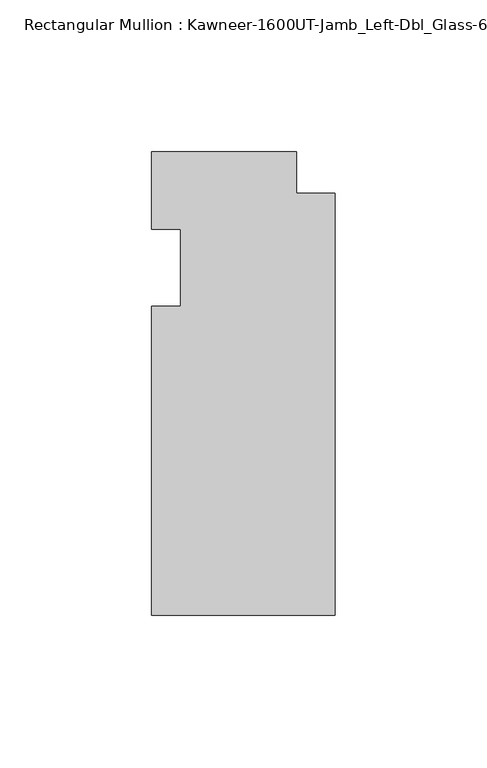
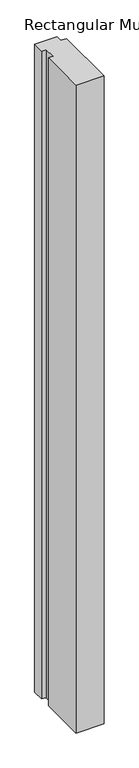
"""IFC4 building model written with IfcOpenShell, lengths in millimetres: member geometry."""

from ifc_helpers import new_model, si_unit, frame, origin, place, context, project, spatial, polyline, outline, extrude, source, transform, mapped, element, save


def member_b6ed2e3d(model_context):
    return source(origin(), model_context, "Body", "SweptSolid", [
        extrude(outline(polyline([(-60.325, -12.7), (-50.8, -12.7), (-50.8, 12.7), (-60.325, 12.7), (-60.325, 38.1), (-12.7, 38.1), (-12.7, 24.60625), (0.0, 24.60625), (0.0, -114.3), (-60.325, -114.3), (-60.325, -12.7)])), frame((0.0, 0.0, -1463.675), z_axis=(0.0, 0.0, 1.0), x_axis=(1.0, 0.0, 0.0)), (0.0, 0.0, 1.0), 1463.675),
    ])


if __name__ == "__main__":
    model = new_model("IFC4")
    model_context = context("Model", 3, world=origin())
    ifc_project = project(units=[si_unit("LENGTHUNIT", "METRE", prefix="MILLI")], contexts=[model_context])
    site = spatial("IfcSite", under=ifc_project)
    building = spatial("IfcBuilding", under=site)
    placement = place(None, origin())
    member_shape = member_b6ed2e3d(model_context)
    element("IfcMember", 1, ObjectType="Rectangular Mullion : Kawneer-1600UT-Jamb_Left-Dbl_Glass-6\"", at=placement, inside=building, context=model_context, shape_type="MappedRepresentation", body=[
        mapped(member_shape, transform((0.0, 0.0, 0.0), x_axis=(1.0, 0.0, 0.0), y_axis=(0.0, 1.0, 0.0), z_axis=(0.0, 0.0, 1.0))),
    ])
    save(model, "model.ifc")
